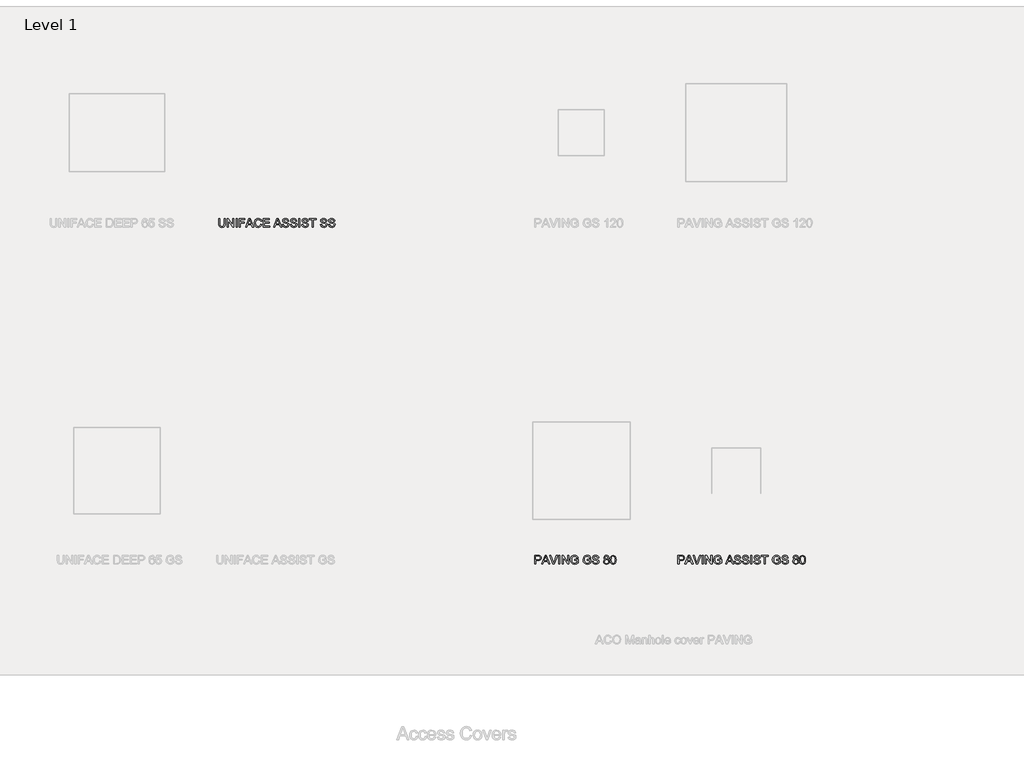
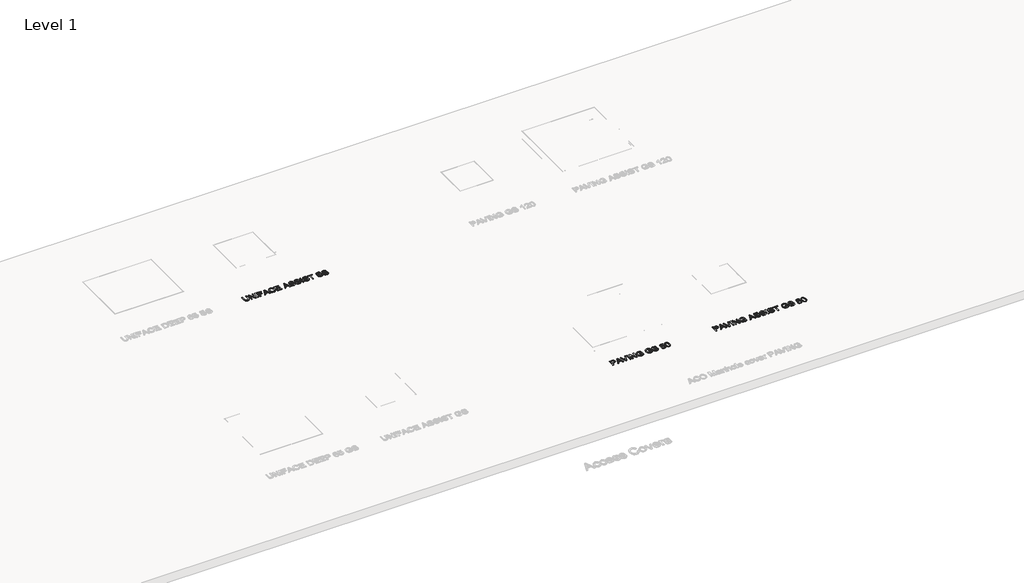
# One storey, part 7 of 9: 3 proxies.
"""IFC4 building model written with IfcOpenShell, lengths in millimetres."""

from ifc_helpers import new_model, si_unit, origin, origin_with_axes, place, context, project, spatial, polyline, outline, extrude, element, save

model = new_model("IFC4")

# Units and contexts
model_context = context("Model", 3, world=origin())
ifc_project = project(units=[si_unit("LENGTHUNIT", "METRE", prefix="MILLI")], contexts=[model_context])

# Site, building, storey
site = spatial("IfcSite", under=ifc_project)
building = spatial("IfcBuilding", under=site)
storey = spatial("IfcBuildingStorey", under=building, Name="Level 1", Elevation=0.0)

# Proxies
placement = place(None, origin())
element("IfcBuildingElementProxy", 1, Name="100mm ACO", ObjectType="100mm ACO", at=placement, inside=storey, context=model_context, shape_type="SweptSolid", body=[
    extrude(outline(polyline([(9257.0771361, -11847.3956492), (9256.2331112, -11861.7586247), (9251.7510479, -11875.3212318), (9239.9346992, -11886.9338503), (9218.1355732, -11891.5759873), (9196.6856989, -11887.4577279), (9184.7383808, -11876.8055515), (9179.8925137, -11863.1992879), (9178.8447587, -11847.3956492), (9178.8447587, -11789.1288264), (9191.8834882, -11789.1288264), (9191.8834882, -11847.7449008), (9193.1786299, -11863.5048831), (9200.0035899, -11875.2630232), (9207.0395561, -11879.1157058), (9217.0878182, -11880.3999334), (9234.6231632, -11876.3107783), (9242.2630438, -11865.3821109), (9244.0384065, -11847.7449008), (9244.0384065, -11789.1288264), (9257.0771361, -11789.1288264), (9257.0771361, -11847.3956492)])), origin_with_axes(), (0.0, 0.0, 1.0), 10.0),
    extrude(outline(polyline([(9357.6616214, -11889.7133117), (9343.691554, -11889.7133117), (9292.7299123, -11811.0152653), (9292.7299123, -11889.7133117), (9279.429244, -11889.7133117), (9279.429244, -11789.1288264), (9293.4284157, -11789.1288264), (9344.3609531, -11867.7686641), (9344.3609531, -11789.1288264), (9357.6616214, -11789.1288264), (9357.6616214, -11889.7133117)])), origin_with_axes(), (0.0, 0.0, 1.0), 10.0),
    extrude(outline(polyline([(9394.9151345, -11889.7133117), (9381.8764049, -11889.7133117), (9381.8764049, -11789.1288264), (9394.9151345, -11789.1288264), (9394.9151345, -11889.7133117)])), origin_with_axes(), (0.0, 0.0, 1.0), 10.0),
    extrude(outline(polyline([(9486.1862416, -11800.3048803), (9432.1686476, -11800.3048803), (9432.1686476, -11831.9703664), (9478.735539, -11831.9703664), (9478.735539, -11843.1464203), (9432.1686476, -11843.1464203), (9432.1686476, -11889.7133117), (9419.129918, -11889.7133117), (9419.129918, -11789.1288264), (9486.1862416, -11789.1288264), (9486.1862416, -11800.3048803)])), origin_with_axes(), (0.0, 0.0, 1.0), 10.0),
    extrude(outline(polyline([(9587.2363958, -11889.7133117), (9573.3536413, -11889.7133117), (9561.3044582, -11859.9105012), (9518.6084397, -11859.9105012), (9507.0249255, -11889.7133117), (9493.1712753, -11889.7133117), (9532.2583597, -11789.1288264), (9546.5194702, -11789.1288264), (9587.2363958, -11889.7133117)]), holes=[polyline([(9556.7641863, -11848.7344473), (9542.2556892, -11811.8592902), (9539.2724977, -11800.1302544), (9534.5867043, -11818.8152196), (9522.9740857, -11848.7344473), (9556.7641863, -11848.7344473)])]), origin_with_axes(), (0.0, 0.0, 1.0), 10.0),
    extrude(outline(polyline([(9681.7671852, -11857.6985739), (9675.8189925, -11872.6108932), (9666.6474977, -11883.1793947), (9654.7911306, -11889.4768392), (9640.7883209, -11891.5759873), (9619.760459, -11887.6978384), (9605.3392748, -11876.0633916), (9597.0008908, -11858.9718873), (9594.2214295, -11838.7225656), (9597.4847499, -11817.2108447), (9607.2747112, -11800.9306229), (9622.1943067, -11790.6822687), (9640.8465295, -11787.2661507), (9654.2381488, -11789.0888079), (9665.541534, -11794.5567796), (9674.2619121, -11803.5390964), (9679.9045096, -11815.9047889), (9666.86578, -11818.9316368), (9656.9557634, -11803.5791148), (9640.3517563, -11798.4422046), (9626.0469893, -11801.1670954), (9615.6713038, -11809.3417676), (9609.3629453, -11822.1003683), (9607.2601591, -11838.5770441), (9609.4866386, -11857.047365), (9616.1660771, -11870.0824565), (9626.4253453, -11877.8205642), (9639.3913141, -11880.3999334), (9650.0216623, -11878.7737302), (9658.4546353, -11873.8951208), (9664.6902331, -11865.7495528), (9668.7284557, -11854.3224742), (9681.7671852, -11857.6985739)])), origin_with_axes(), (0.0, 0.0, 1.0), 10.0),
    extrude(outline(polyline([(9773.0382923, -11889.7133117), (9698.5312661, -11889.7133117), (9698.5312661, -11789.1288264), (9771.1756166, -11789.1288264), (9771.1756166, -11800.3048803), (9711.5699957, -11800.3048803), (9711.5699957, -11831.9703664), (9767.4502653, -11831.9703664), (9767.4502653, -11843.1464203), (9711.5699957, -11843.1464203), (9711.5699957, -11878.5372577), (9773.0382923, -11878.5372577), (9773.0382923, -11889.7133117)])), origin_with_axes(), (0.0, 0.0, 1.0), 10.0),
    extrude(outline(polyline([(9913.2046353, -11889.7133117), (9899.3218808, -11889.7133117), (9887.2726976, -11859.9105012), (9844.5766791, -11859.9105012), (9832.9931649, -11889.7133117), (9819.1395147, -11889.7133117), (9858.2265992, -11789.1288264), (9872.4877096, -11789.1288264), (9913.2046353, -11889.7133117)]), holes=[polyline([(9882.7324257, -11848.7344473), (9868.2239286, -11811.8592902), (9865.2407372, -11800.1302544), (9860.5549437, -11818.8152196), (9848.9423252, -11848.7344473), (9882.7324257, -11848.7344473)])]), origin_with_axes(), (0.0, 0.0, 1.0), 10.0),
    extrude(outline(polyline([(9981.6579656, -11818.9316368), (9979.6352162, -11809.9857004), (9975.1386008, -11803.5791148), (9968.1681192, -11799.7264322), (9958.7237716, -11798.4422046), (9943.0074457, -11802.4440468), (9938.4671738, -11807.3590367), (9936.9537499, -11814.1003218), (9941.4503653, -11824.2140686), (9959.7424223, -11830.5442553), (9979.6934248, -11836.0595215), (9992.9213324, -11845.0382003), (9997.0468679, -11852.1614794), (9998.4220464, -11861.3657166), (9995.9008858, -11873.2730162), (9988.337404, -11882.9756646), (9976.7211475, -11889.4259066), (9962.0416626, -11891.5759873), (9943.9533357, -11889.1894341), (9931.0746798, -11882.0297746), (9923.2165169, -11871.072003), (9920.189669, -11857.2911136), (9933.2283985, -11856.1851499), (9935.8732525, -11867.1247313), (9942.1197644, -11874.6227284), (9951.0074921, -11878.9556322), (9961.5759937, -11880.3999334), (9978.8057435, -11875.6413792), (9983.7389235, -11870.035162), (9985.3833169, -11862.733619), (9983.6843529, -11855.3629532), (9978.5874612, -11850.3060799), (9955.1730461, -11842.8117208), (9940.8791933, -11838.4460747), (9931.2347535, -11832.5379004), (9925.7449536, -11824.8652774), (9923.9150203, -11815.2062855), (9926.2106225, -11804.1466488), (9933.0974292, -11795.1825222), (9943.9424216, -11789.2452436), (9958.1125811, -11787.2661507), (9972.7593237, -11789.2597957), (9984.2191446, -11795.2407308), (9991.7717123, -11804.8888086), (9994.6966951, -11817.8838818), (9981.6579656, -11818.9316368)])), origin_with_axes(), (0.0, 0.0, 1.0), 10.0),
    extrude(outline(polyline([(10074.7917483, -11818.9316368), (10072.7689989, -11809.9857004), (10068.2723835, -11803.5791148), (10061.3019019, -11799.7264322), (10051.8575543, -11798.4422046), (10036.1412284, -11802.4440468), (10031.6009565, -11807.3590367), (10030.0875326, -11814.1003218), (10034.584148, -11824.2140686), (10052.876205, -11830.5442553), (10072.8272075, -11836.0595215), (10086.0551151, -11845.0382003), (10090.1806506, -11852.1614794), (10091.5558291, -11861.3657166), (10089.0346685, -11873.2730162), (10081.4711867, -11882.9756646), (10069.8549302, -11889.4259066), (10055.1754453, -11891.5759873), (10037.0871184, -11889.1894341), (10024.2084625, -11882.0297746), (10016.3502996, -11871.072003), (10013.3234517, -11857.2911136), (10026.3621812, -11856.1851499), (10029.0070352, -11867.1247313), (10035.2535471, -11874.6227284), (10044.1412748, -11878.9556322), (10054.7097764, -11880.3999334), (10071.9395262, -11875.6413792), (10076.8727062, -11870.035162), (10078.5170996, -11862.733619), (10076.8181356, -11855.3629532), (10071.7212439, -11850.3060799), (10048.3068288, -11842.8117208), (10034.012976, -11838.4460747), (10024.3685362, -11832.5379004), (10018.8787363, -11824.8652774), (10017.048803, -11815.2062855), (10019.3444052, -11804.1466488), (10026.2312119, -11795.1825222), (10037.0762043, -11789.2452436), (10051.2463638, -11787.2661507), (10065.8931064, -11789.2597957), (10077.3529273, -11795.2407308), (10084.905495, -11804.8888086), (10087.8304778, -11817.8838818), (10074.7917483, -11818.9316368)])), origin_with_axes(), (0.0, 0.0, 1.0), 10.0),
    extrude(outline(polyline([(10125.0839909, -11889.7133117), (10112.0452613, -11889.7133117), (10112.0452613, -11789.1288264), (10125.0839909, -11789.1288264), (10125.0839909, -11889.7133117)])), origin_with_axes(), (0.0, 0.0, 1.0), 10.0),
    extrude(outline(polyline([(10207.0417197, -11818.9316368), (10205.0189703, -11809.9857004), (10200.5223549, -11803.5791148), (10193.5518734, -11799.7264322), (10184.1075257, -11798.4422046), (10168.3911999, -11802.4440468), (10163.850928, -11807.3590367), (10162.337504, -11814.1003218), (10166.8341194, -11824.2140686), (10185.1261765, -11830.5442553), (10205.077179, -11836.0595215), (10218.3050865, -11845.0382003), (10222.4306221, -11852.1614794), (10223.8058006, -11861.3657166), (10221.28464, -11873.2730162), (10213.7211582, -11882.9756646), (10202.1049016, -11889.4259066), (10187.4254167, -11891.5759873), (10169.3370899, -11889.1894341), (10156.458434, -11882.0297746), (10148.600271, -11871.072003), (10145.5734231, -11857.2911136), (10158.6121527, -11856.1851499), (10161.2570066, -11867.1247313), (10167.5035185, -11874.6227284), (10176.3912463, -11878.9556322), (10186.9597478, -11880.3999334), (10204.1894976, -11875.6413792), (10209.1226776, -11870.035162), (10210.767071, -11862.733619), (10209.0681071, -11855.3629532), (10203.9712153, -11850.3060799), (10180.5568002, -11842.8117208), (10166.2629474, -11838.4460747), (10156.6185077, -11832.5379004), (10151.1287077, -11824.8652774), (10149.2987744, -11815.2062855), (10151.5943766, -11804.1466488), (10158.4811833, -11795.1825222), (10169.3261757, -11789.2452436), (10183.4963353, -11787.2661507), (10198.1430778, -11789.2597957), (10209.6028987, -11795.2407308), (10217.1554664, -11804.8888086), (10220.0804493, -11817.8838818), (10207.0417197, -11818.9316368)])), origin_with_axes(), (0.0, 0.0, 1.0), 10.0),
    extrude(outline(polyline([(10313.214232, -11800.3048803), (10279.6860702, -11800.3048803), (10279.6860702, -11889.7133117), (10266.6473406, -11889.7133117), (10266.6473406, -11800.3048803), (10233.1191788, -11800.3048803), (10233.1191788, -11789.1288264), (10313.214232, -11789.1288264), (10313.214232, -11800.3048803)])), origin_with_axes(), (0.0, 0.0, 1.0), 10.0),
    extrude(outline(polyline([(10424.9747712, -11818.9316368), (10422.9520219, -11809.9857004), (10418.4554064, -11803.5791148), (10411.4849249, -11799.7264322), (10402.0405772, -11798.4422046), (10386.3242514, -11802.4440468), (10381.7839795, -11807.3590367), (10380.2705555, -11814.1003218), (10384.767171, -11824.2140686), (10403.059228, -11830.5442553), (10423.0102305, -11836.0595215), (10436.2381381, -11845.0382003), (10440.3636736, -11852.1614794), (10441.7388521, -11861.3657166), (10439.2176915, -11873.2730162), (10431.6542097, -11882.9756646), (10420.0379531, -11889.4259066), (10405.3584682, -11891.5759873), (10387.2701414, -11889.1894341), (10374.3914855, -11882.0297746), (10366.5333226, -11871.072003), (10363.5064746, -11857.2911136), (10376.5452042, -11856.1851499), (10379.1900581, -11867.1247313), (10385.43657, -11874.6227284), (10394.3242978, -11878.9556322), (10404.8927993, -11880.3999334), (10422.1225491, -11875.6413792), (10427.0557292, -11870.035162), (10428.7001225, -11862.733619), (10427.0011586, -11855.3629532), (10421.9042668, -11850.3060799), (10398.4898518, -11842.8117208), (10384.1959989, -11838.4460747), (10374.5515592, -11832.5379004), (10369.0617593, -11824.8652774), (10367.2318259, -11815.2062855), (10369.5274282, -11804.1466488), (10376.4142348, -11795.1825222), (10387.2592273, -11789.2452436), (10401.4293868, -11787.2661507), (10416.0761293, -11789.2597957), (10427.5359502, -11795.2407308), (10435.0885179, -11804.8888086), (10438.0135008, -11817.8838818), (10424.9747712, -11818.9316368)])), origin_with_axes(), (0.0, 0.0, 1.0), 10.0),
    extrude(outline(polyline([(10518.1085539, -11818.9316368), (10516.0858046, -11809.9857004), (10511.5891891, -11803.5791148), (10504.6187076, -11799.7264322), (10495.1743599, -11798.4422046), (10479.4580341, -11802.4440468), (10474.9177622, -11807.3590367), (10473.4043382, -11814.1003218), (10477.9009537, -11824.2140686), (10496.1930107, -11830.5442553), (10516.1440132, -11836.0595215), (10529.3719208, -11845.0382003), (10533.4974563, -11852.1614794), (10534.8726348, -11861.3657166), (10532.3514742, -11873.2730162), (10524.7879924, -11882.9756646), (10513.1717358, -11889.4259066), (10498.4922509, -11891.5759873), (10480.4039241, -11889.1894341), (10467.5252682, -11882.0297746), (10459.6671053, -11871.072003), (10456.6402573, -11857.2911136), (10469.6789869, -11856.1851499), (10472.3238408, -11867.1247313), (10478.5703527, -11874.6227284), (10487.4580805, -11878.9556322), (10498.026582, -11880.3999334), (10515.2563318, -11875.6413792), (10520.1895119, -11870.035162), (10521.8339052, -11862.733619), (10520.1349413, -11855.3629532), (10515.0380495, -11850.3060799), (10491.6236345, -11842.8117208), (10477.3297816, -11838.4460747), (10467.6853419, -11832.5379004), (10462.195542, -11824.8652774), (10460.3656086, -11815.2062855), (10462.6612109, -11804.1466488), (10469.5480175, -11795.1825222), (10480.39301, -11789.2452436), (10494.5631695, -11787.2661507), (10509.209912, -11789.2597957), (10520.6697329, -11795.2407308), (10528.2223006, -11804.8888086), (10531.1472835, -11817.8838818), (10518.1085539, -11818.9316368)])), origin_with_axes(), (0.0, 0.0, 1.0), 10.0),
])
element("IfcBuildingElementProxy", 2, Name="100mm ACO", ObjectType="100mm ACO", at=placement, inside=storey, context=model_context, shape_type="SweptSolid", body=[
    extrude(outline(polyline([(12854.8308803, -15709.1288264), (12892.6082709, -15709.1288264), (12908.0044494, -15710.0165077), (12919.9954239, -15714.6295404), (12928.3629122, -15724.7432871), (12931.2005821, -15738.1167162), (12928.9631885, -15750.6206542), (12922.2510077, -15760.366959), (12910.6056468, -15766.6425752), (12893.568713, -15768.7344473), (12867.8696099, -15768.7344473), (12867.8696099, -15809.7133117), (12854.8308803, -15809.7133117), (12854.8308803, -15709.1288264)]), holes=[polyline([(12867.8696099, -15757.5583934), (12894.0925906, -15757.5583934), (12912.144537, -15752.7925631), (12916.6575237, -15746.8352752), (12918.1618525, -15738.4950722), (12915.0331395, -15727.4499877), (12907.3496025, -15721.4836047), (12893.8015475, -15720.3048803), (12867.8696099, -15720.3048803), (12867.8696099, -15757.5583934)])]), origin_with_axes(), (0.0, 0.0, 1.0), 10.0),
    extrude(outline(polyline([(13030.3880607, -15809.7133117), (13016.5053062, -15809.7133117), (13004.4561231, -15779.9105012), (12961.7601046, -15779.9105012), (12950.1765903, -15809.7133117), (12936.3229402, -15809.7133117), (12975.4100246, -15709.1288264), (12989.6711351, -15709.1288264), (13030.3880607, -15809.7133117)]), holes=[polyline([(12999.9158512, -15768.7344473), (12985.4073541, -15731.8592902), (12982.4241626, -15720.1302544), (12977.7383692, -15738.8152196), (12966.1257506, -15768.7344473), (12999.9158512, -15768.7344473)])]), origin_with_axes(), (0.0, 0.0, 1.0), 10.0),
    extrude(outline(polyline([(13121.1934988, -15709.1288264), (13083.4743168, -15809.7133117), (13067.6415738, -15809.7133117), (13029.9223918, -15709.1288264), (13043.7469377, -15709.1288264), (13070.2609614, -15782.2388458), (13075.5579453, -15798.653675), (13080.8840335, -15782.2388458), (13107.368953, -15709.1288264), (13121.1934988, -15709.1288264)])), origin_with_axes(), (0.0, 0.0, 1.0), 10.0),
    extrude(outline(polyline([(13149.1336336, -15809.7133117), (13136.0949041, -15809.7133117), (13136.0949041, -15709.1288264), (13149.1336336, -15709.1288264), (13149.1336336, -15809.7133117)])), origin_with_axes(), (0.0, 0.0, 1.0), 10.0),
    extrude(outline(polyline([(13251.5807946, -15809.7133117), (13237.6107272, -15809.7133117), (13186.6490855, -15731.0152653), (13186.6490855, -15809.7133117), (13173.3484171, -15809.7133117), (13173.3484171, -15709.1288264), (13187.3475889, -15709.1288264), (13238.2801263, -15787.7686641), (13238.2801263, -15709.1288264), (13251.5807946, -15709.1288264), (13251.5807946, -15809.7133117)])), origin_with_axes(), (0.0, 0.0, 1.0), 10.0),
    extrude(outline(polyline([(13361.4786582, -15796.2962261), (13341.9569442, -15807.756047), (13320.703524, -15811.5759873), (13300.2031777, -15808.039814), (13284.1048578, -15797.4312941), (13273.6818778, -15780.9582563), (13270.2075512, -15759.8285293), (13275.8683389, -15733.168984), (13282.8715628, -15722.2184885), (13292.559659, -15714.0474542), (13304.8198484, -15708.9614766), (13319.5393517, -15707.2661507), (13334.4625851, -15709.1506546), (13346.1115841, -15714.8041662), (13354.4936245, -15724.2194096), (13359.6159826, -15737.3891085), (13346.577253, -15740.7943125), (13342.7973311, -15731.0334555), (13336.8709666, -15724.0447837), (13328.7981594, -15719.8428494), (13318.5789095, -15718.4422046), (13303.2300256, -15721.2653224), (13292.1667509, -15729.7346758), (13285.4763983, -15742.7734054), (13283.2462807, -15759.3046518), (13287.6555833, -15782.0496678), (13300.7379693, -15795.7577964), (13319.5975603, -15800.3999334), (13334.5498981, -15797.5768156), (13348.4399286, -15789.1074622), (13348.4399286, -15768.7344473), (13318.6371182, -15768.7344473), (13318.6371182, -15757.5583934), (13361.4786582, -15757.5583934), (13361.4786582, -15796.2962261)])), origin_with_axes(), (0.0, 0.0, 1.0), 10.0),
    extrude(outline(polyline([(13508.6300349, -15796.2962261), (13489.1083209, -15807.756047), (13467.8549006, -15811.5759873), (13447.3545543, -15808.039814), (13431.2562345, -15797.4312941), (13420.8332545, -15780.9582563), (13417.3589278, -15759.8285293), (13423.0197156, -15733.168984), (13430.0229395, -15722.2184885), (13439.7110357, -15714.0474542), (13451.971225, -15708.9614766), (13466.6907284, -15707.2661507), (13481.6139618, -15709.1506546), (13493.2629607, -15714.8041662), (13501.6450012, -15724.2194096), (13506.7673592, -15737.3891085), (13493.7286296, -15740.7943125), (13489.9487078, -15731.0334555), (13484.0223432, -15724.0447837), (13475.949536, -15719.8428494), (13465.7302862, -15718.4422046), (13450.3814023, -15721.2653224), (13439.3181275, -15729.7346758), (13432.6277749, -15742.7734054), (13430.3976574, -15759.3046518), (13434.8069599, -15782.0496678), (13447.889346, -15795.7577964), (13466.748937, -15800.3999334), (13481.7012747, -15797.5768156), (13495.5913053, -15789.1074622), (13495.5913053, -15768.7344473), (13465.7884948, -15768.7344473), (13465.7884948, -15757.5583934), (13508.6300349, -15757.5583934), (13508.6300349, -15796.2962261)])), origin_with_axes(), (0.0, 0.0, 1.0), 10.0),
    extrude(outline(polyline([(13586.8624123, -15738.9316368), (13584.839663, -15729.9857004), (13580.3430476, -15723.5791148), (13573.372566, -15719.7264322), (13563.9282184, -15718.4422046), (13548.2118925, -15722.4440468), (13543.6716206, -15727.3590367), (13542.1581967, -15734.1003218), (13546.6548121, -15744.2140686), (13564.9468691, -15750.5442553), (13584.8978716, -15756.0595215), (13598.1257792, -15765.0382003), (13602.2513147, -15772.1614794), (13603.6264932, -15781.3657166), (13601.1053326, -15793.2730162), (13593.5418508, -15802.9756646), (13581.9255943, -15809.4259066), (13567.2461094, -15811.5759873), (13549.1577825, -15809.1894341), (13536.2791266, -15802.0297746), (13528.4209637, -15791.072003), (13525.3941158, -15777.2911136), (13538.4328453, -15776.1851499), (13541.0776993, -15787.1247313), (13547.3242112, -15794.6227284), (13556.2119389, -15798.9556322), (13566.7804405, -15800.3999334), (13584.0101903, -15795.6413792), (13588.9433703, -15790.035162), (13590.5877637, -15782.733619), (13588.8887997, -15775.3629532), (13583.791908, -15770.3060799), (13560.3774929, -15762.8117208), (13546.0836401, -15758.4460747), (13536.4392003, -15752.5379004), (13530.9494004, -15744.8652774), (13529.1194671, -15735.2062855), (13531.4150693, -15724.1466488), (13538.301876, -15715.1825222), (13549.1468684, -15709.2452436), (13563.3170279, -15707.2661507), (13577.9637705, -15709.2597957), (13589.4235914, -15715.2407308), (13596.9761591, -15724.8888086), (13599.9011419, -15737.8838818), (13586.8624123, -15738.9316368)])), origin_with_axes(), (0.0, 0.0, 1.0), 10.0),
    extrude(outline(polyline([(13703.9781441, -15754.487889), (13718.1228373, -15764.2160036), (13722.8377351, -15780.7254218), (13720.4912003, -15792.8037092), (13713.4515961, -15802.728278), (13702.7302969, -15809.36406), (13689.3386776, -15811.5759873), (13675.8488313, -15809.3495078), (13665.1238941, -15802.6700694), (13658.1170322, -15792.6290834), (13655.7814115, -15780.3179615), (13660.9910825, -15763.3938069), (13667.102987, -15757.5838596), (13675.0193585, -15754.6188583), (13663.3849118, -15747.1172232), (13659.5067629, -15734.4786778), (13661.5513404, -15724.543195), (13667.6850732, -15716.390351), (13677.1294208, -15710.9442075), (13689.1058432, -15709.1288264), (13701.2605294, -15711.0024161), (13710.8322084, -15716.6231854), (13717.0423399, -15724.8997228), (13719.1123838, -15734.7406166), (13715.3288239, -15746.8771127), (13703.9781441, -15754.487889)]), holes=[polyline([(13689.3677819, -15802.2626091), (13697.3787425, -15800.7855655), (13703.9490398, -15796.3544347), (13708.3365141, -15789.558579), (13709.7990055, -15780.9873606), (13708.2964957, -15772.3797617), (13703.7889661, -15765.4747649), (13697.1131657, -15760.934493), (13689.1058432, -15759.421069), (13680.9311709, -15760.9817875), (13674.4518246, -15765.6639429), (13668.8201411, -15780.6963175), (13670.2717184, -15789.1220144), (13674.6264504, -15796.0633916), (13681.2149379, -15800.7128047), (13689.3677819, -15802.2626091)]), polyline([(13689.3386776, -15750.1076907), (13701.2568914, -15745.6838361), (13706.0736542, -15734.5950951), (13701.1841306, -15723.1134459), (13689.1931561, -15718.4422046), (13677.2603902, -15723.0406851), (13672.5454924, -15733.8965917), (13677.3913596, -15745.7420447), (13689.3386776, -15750.1076907)])]), origin_with_axes(), (0.0, 0.0, 1.0), 10.0),
    extrude(outline(polyline([(13767.5128465, -15709.1288264), (13782.1941504, -15712.3339382), (13792.680796, -15721.9492736), (13798.9727834, -15737.9748327), (13801.0701126, -15760.4106155), (13798.9018417, -15783.0137479), (13792.3970291, -15798.9592702), (13781.8394417, -15808.421808), (13767.5128465, -15811.5759873), (13752.8570088, -15808.3781516), (13742.3885534, -15798.7846444), (13736.1074801, -15782.7954656), (13734.013789, -15760.4106155), (13736.1820599, -15737.811121), (13742.6868725, -15721.8183042), (13753.2299078, -15712.3011958), (13767.5128465, -15709.1288264)]), holes=[polyline([(13767.5419508, -15802.2626091), (13776.4333166, -15799.8142092), (13782.8508163, -15792.4690097), (13786.7362413, -15779.5576115), (13788.031383, -15760.4106155), (13785.761247, -15736.0503104), (13778.9071827, -15722.8078507), (13767.3964293, -15718.4422046), (13758.5232536, -15720.9342609), (13752.1603245, -15728.4104298), (13748.3294701, -15741.3945888), (13747.0525186, -15760.4106155), (13749.366311, -15784.6108468), (13756.2203753, -15797.896963), (13767.5419508, -15802.2626091)])]), origin_with_axes(), (0.0, 0.0, 1.0), 10.0),
])
element("IfcBuildingElementProxy", 3, Name="100mm ACO", ObjectType="100mm ACO", at=placement, inside=storey, context=model_context, shape_type="SweptSolid", body=[
    extrude(outline(polyline([(14520.6944822, -15709.1288264), (14558.4718728, -15709.1288264), (14573.8680512, -15710.0165077), (14585.8590258, -15714.6295404), (14594.226514, -15724.7432871), (14597.064184, -15738.1167162), (14594.8267904, -15750.6206542), (14588.1146096, -15760.366959), (14576.4692487, -15766.6425752), (14559.4323149, -15768.7344473), (14533.7332117, -15768.7344473), (14533.7332117, -15809.7133117), (14520.6944822, -15809.7133117), (14520.6944822, -15709.1288264)]), holes=[polyline([(14533.7332117, -15757.5583934), (14559.9561924, -15757.5583934), (14578.0081389, -15752.7925631), (14582.5211255, -15746.8352752), (14584.0254544, -15738.4950722), (14580.8967414, -15727.4499877), (14573.2132043, -15721.4836047), (14559.6651494, -15720.3048803), (14533.7332117, -15720.3048803), (14533.7332117, -15757.5583934)])]), origin_with_axes(), (0.0, 0.0, 1.0), 10.0),
    extrude(outline(polyline([(14696.2516626, -15809.7133117), (14682.3689081, -15809.7133117), (14670.3197249, -15779.9105012), (14627.6237064, -15779.9105012), (14616.0401922, -15809.7133117), (14602.186542, -15809.7133117), (14641.2736265, -15709.1288264), (14655.5347369, -15709.1288264), (14696.2516626, -15809.7133117)]), holes=[polyline([(14665.779453, -15768.7344473), (14651.2709559, -15731.8592902), (14648.2877645, -15720.1302544), (14643.601971, -15738.8152196), (14631.9893525, -15768.7344473), (14665.779453, -15768.7344473)])]), origin_with_axes(), (0.0, 0.0, 1.0), 10.0),
    extrude(outline(polyline([(14787.0571007, -15709.1288264), (14749.3379187, -15809.7133117), (14733.5051756, -15809.7133117), (14695.7859936, -15709.1288264), (14709.6105395, -15709.1288264), (14736.1245633, -15782.2388458), (14741.4215472, -15798.653675), (14746.7476354, -15782.2388458), (14773.2325548, -15709.1288264), (14787.0571007, -15709.1288264)])), origin_with_axes(), (0.0, 0.0, 1.0), 10.0),
    extrude(outline(polyline([(14814.9972355, -15809.7133117), (14801.9585059, -15809.7133117), (14801.9585059, -15709.1288264), (14814.9972355, -15709.1288264), (14814.9972355, -15809.7133117)])), origin_with_axes(), (0.0, 0.0, 1.0), 10.0),
    extrude(outline(polyline([(14917.4443965, -15809.7133117), (14903.4743291, -15809.7133117), (14852.5126874, -15731.0152653), (14852.5126874, -15809.7133117), (14839.212019, -15809.7133117), (14839.212019, -15709.1288264), (14853.2111907, -15709.1288264), (14904.1437281, -15787.7686641), (14904.1437281, -15709.1288264), (14917.4443965, -15709.1288264), (14917.4443965, -15809.7133117)])), origin_with_axes(), (0.0, 0.0, 1.0), 10.0),
    extrude(outline(polyline([(15027.3422601, -15796.2962261), (15007.8205461, -15807.756047), (14986.5671258, -15811.5759873), (14966.0667795, -15808.039814), (14949.9684597, -15797.4312941), (14939.5454797, -15780.9582563), (14936.071153, -15759.8285293), (14941.7319408, -15733.168984), (14948.7351646, -15722.2184885), (14958.4232609, -15714.0474542), (14970.6834502, -15708.9614766), (14985.4029535, -15707.2661507), (15000.326187, -15709.1506546), (15011.9751859, -15714.8041662), (15020.3572264, -15724.2194096), (15025.4795844, -15737.3891085), (15012.4408548, -15740.7943125), (15008.660933, -15731.0334555), (15002.7345684, -15724.0447837), (14994.6617612, -15719.8428494), (14984.4425114, -15718.4422046), (14969.0936275, -15721.2653224), (14958.0303527, -15729.7346758), (14951.3400001, -15742.7734054), (14949.1098826, -15759.3046518), (14953.5191851, -15782.0496678), (14966.6015712, -15795.7577964), (14985.4611622, -15800.3999334), (15000.4134999, -15797.5768156), (15014.3035305, -15789.1074622), (15014.3035305, -15768.7344473), (14984.50072, -15768.7344473), (14984.50072, -15757.5583934), (15027.3422601, -15757.5583934), (15027.3422601, -15796.2962261)])), origin_with_axes(), (0.0, 0.0, 1.0), 10.0),
    extrude(outline(polyline([(15169.3712787, -15809.7133117), (15155.4885242, -15809.7133117), (15143.4393411, -15779.9105012), (15100.7433226, -15779.9105012), (15089.1598083, -15809.7133117), (15075.3061582, -15809.7133117), (15114.3932426, -15709.1288264), (15128.6543531, -15709.1288264), (15169.3712787, -15809.7133117)]), holes=[polyline([(15138.8990692, -15768.7344473), (15124.3905721, -15731.8592902), (15121.4073806, -15720.1302544), (15116.7215872, -15738.8152196), (15105.1089686, -15768.7344473), (15138.8990692, -15768.7344473)])]), origin_with_axes(), (0.0, 0.0, 1.0), 10.0),
    extrude(outline(polyline([(15237.824609, -15738.9316368), (15235.8018596, -15729.9857004), (15231.3052442, -15723.5791148), (15224.3347626, -15719.7264322), (15214.890415, -15718.4422046), (15199.1740892, -15722.4440468), (15194.6338173, -15727.3590367), (15193.1203933, -15734.1003218), (15197.6170087, -15744.2140686), (15215.9090657, -15750.5442553), (15235.8600683, -15756.0595215), (15249.0879758, -15765.0382003), (15253.2135114, -15772.1614794), (15254.5886899, -15781.3657166), (15252.0675293, -15793.2730162), (15244.5040475, -15802.9756646), (15232.8877909, -15809.4259066), (15218.208306, -15811.5759873), (15200.1199791, -15809.1894341), (15187.2413233, -15802.0297746), (15179.3831603, -15791.072003), (15176.3563124, -15777.2911136), (15189.395042, -15776.1851499), (15192.0398959, -15787.1247313), (15198.2864078, -15794.6227284), (15207.1741356, -15798.9556322), (15217.7426371, -15800.3999334), (15234.9723869, -15795.6413792), (15239.9055669, -15790.035162), (15241.5499603, -15782.733619), (15239.8509964, -15775.3629532), (15234.7541046, -15770.3060799), (15211.3396895, -15762.8117208), (15197.0458367, -15758.4460747), (15187.4013969, -15752.5379004), (15181.911597, -15744.8652774), (15180.0816637, -15735.2062855), (15182.3772659, -15724.1466488), (15189.2640726, -15715.1825222), (15200.109065, -15709.2452436), (15214.2792245, -15707.2661507), (15228.9259671, -15709.2597957), (15240.385788, -15715.2407308), (15247.9383557, -15724.8888086), (15250.8633386, -15737.8838818), (15237.824609, -15738.9316368)])), origin_with_axes(), (0.0, 0.0, 1.0), 10.0),
    extrude(outline(polyline([(15330.9583917, -15738.9316368), (15328.9356423, -15729.9857004), (15324.4390269, -15723.5791148), (15317.4685453, -15719.7264322), (15308.0241977, -15718.4422046), (15292.3078719, -15722.4440468), (15287.7676, -15727.3590367), (15286.254176, -15734.1003218), (15290.7507914, -15744.2140686), (15309.0428484, -15750.5442553), (15328.993851, -15756.0595215), (15342.2217585, -15765.0382003), (15346.3472941, -15772.1614794), (15347.7224726, -15781.3657166), (15345.201312, -15793.2730162), (15337.6378302, -15802.9756646), (15326.0215736, -15809.4259066), (15311.3420887, -15811.5759873), (15293.2537618, -15809.1894341), (15280.375106, -15802.0297746), (15272.516943, -15791.072003), (15269.4900951, -15777.2911136), (15282.5288247, -15776.1851499), (15285.1736786, -15787.1247313), (15291.4201905, -15794.6227284), (15300.3079183, -15798.9556322), (15310.8764198, -15800.3999334), (15328.1061696, -15795.6413792), (15333.0393496, -15790.035162), (15334.683743, -15782.733619), (15332.9847791, -15775.3629532), (15327.8878873, -15770.3060799), (15304.4734722, -15762.8117208), (15290.1796194, -15758.4460747), (15280.5351796, -15752.5379004), (15275.0453797, -15744.8652774), (15273.2154464, -15735.2062855), (15275.5110486, -15724.1466488), (15282.3978553, -15715.1825222), (15293.2428477, -15709.2452436), (15307.4130072, -15707.2661507), (15322.0597498, -15709.2597957), (15333.5195707, -15715.2407308), (15341.0721384, -15724.8888086), (15343.9971213, -15737.8838818), (15330.9583917, -15738.9316368)])), origin_with_axes(), (0.0, 0.0, 1.0), 10.0),
    extrude(outline(polyline([(15381.2506343, -15809.7133117), (15368.2119048, -15809.7133117), (15368.2119048, -15709.1288264), (15381.2506343, -15709.1288264), (15381.2506343, -15809.7133117)])), origin_with_axes(), (0.0, 0.0, 1.0), 10.0),
    extrude(outline(polyline([(15463.2083631, -15738.9316368), (15461.1856138, -15729.9857004), (15456.6889983, -15723.5791148), (15449.7185168, -15719.7264322), (15440.2741691, -15718.4422046), (15424.5578433, -15722.4440468), (15420.0175714, -15727.3590367), (15418.5041474, -15734.1003218), (15423.0007629, -15744.2140686), (15441.2928199, -15750.5442553), (15461.2438224, -15756.0595215), (15474.47173, -15765.0382003), (15478.5972655, -15772.1614794), (15479.972444, -15781.3657166), (15477.4512834, -15793.2730162), (15469.8878016, -15802.9756646), (15458.271545, -15809.4259066), (15443.5920601, -15811.5759873), (15425.5037333, -15809.1894341), (15412.6250774, -15802.0297746), (15404.7669145, -15791.072003), (15401.7400665, -15777.2911136), (15414.7787961, -15776.1851499), (15417.42365, -15787.1247313), (15423.6701619, -15794.6227284), (15432.5578897, -15798.9556322), (15443.1263912, -15800.3999334), (15460.356141, -15795.6413792), (15465.2893211, -15790.035162), (15466.9337144, -15782.733619), (15465.2347505, -15775.3629532), (15460.1378587, -15770.3060799), (15436.7234437, -15762.8117208), (15422.4295908, -15758.4460747), (15412.7851511, -15752.5379004), (15407.2953512, -15744.8652774), (15405.4654178, -15735.2062855), (15407.7610201, -15724.1466488), (15414.6478267, -15715.1825222), (15425.4928192, -15709.2452436), (15439.6629787, -15707.2661507), (15454.3097212, -15709.2597957), (15465.7695421, -15715.2407308), (15473.3221098, -15724.8888086), (15476.2470927, -15737.8838818), (15463.2083631, -15738.9316368)])), origin_with_axes(), (0.0, 0.0, 1.0), 10.0),
    extrude(outline(polyline([(15569.3808754, -15720.3048803), (15535.8527136, -15720.3048803), (15535.8527136, -15809.7133117), (15522.8139841, -15809.7133117), (15522.8139841, -15720.3048803), (15489.2858223, -15720.3048803), (15489.2858223, -15709.1288264), (15569.3808754, -15709.1288264), (15569.3808754, -15720.3048803)])), origin_with_axes(), (0.0, 0.0, 1.0), 10.0),
    extrude(outline(polyline([(15710.9442251, -15796.2962261), (15691.4225111, -15807.756047), (15670.1690909, -15811.5759873), (15649.6687446, -15808.039814), (15633.5704247, -15797.4312941), (15623.1474447, -15780.9582563), (15619.6731181, -15759.8285293), (15625.3339058, -15733.168984), (15632.3371297, -15722.2184885), (15642.0252259, -15714.0474542), (15654.2854153, -15708.9614766), (15669.0049186, -15707.2661507), (15683.9281521, -15709.1506546), (15695.577151, -15714.8041662), (15703.9591914, -15724.2194096), (15709.0815495, -15737.3891085), (15696.0428199, -15740.7943125), (15692.262898, -15731.0334555), (15686.3365335, -15724.0447837), (15678.2637263, -15719.8428494), (15668.0444765, -15718.4422046), (15652.6955925, -15721.2653224), (15641.6323178, -15729.7346758), (15634.9419652, -15742.7734054), (15632.7118476, -15759.3046518), (15637.1211502, -15782.0496678), (15650.2035362, -15795.7577964), (15669.0631272, -15800.3999334), (15684.015465, -15797.5768156), (15697.9054955, -15789.1074622), (15697.9054955, -15768.7344473), (15668.1026851, -15768.7344473), (15668.1026851, -15757.5583934), (15710.9442251, -15757.5583934), (15710.9442251, -15796.2962261)])), origin_with_axes(), (0.0, 0.0, 1.0), 10.0),
    extrude(outline(polyline([(15789.1766026, -15738.9316368), (15787.1538532, -15729.9857004), (15782.6572378, -15723.5791148), (15775.6867562, -15719.7264322), (15766.2424086, -15718.4422046), (15750.5260828, -15722.4440468), (15745.9858109, -15727.3590367), (15744.4723869, -15734.1003218), (15748.9690023, -15744.2140686), (15767.2610593, -15750.5442553), (15787.2120619, -15756.0595215), (15800.4399694, -15765.0382003), (15804.565505, -15772.1614794), (15805.9406835, -15781.3657166), (15803.4195229, -15793.2730162), (15795.8560411, -15802.9756646), (15784.2397845, -15809.4259066), (15769.5602996, -15811.5759873), (15751.4719727, -15809.1894341), (15738.5933169, -15802.0297746), (15730.7351539, -15791.072003), (15727.708306, -15777.2911136), (15740.7470356, -15776.1851499), (15743.3918895, -15787.1247313), (15749.6384014, -15794.6227284), (15758.5261292, -15798.9556322), (15769.0946307, -15800.3999334), (15786.3243805, -15795.6413792), (15791.2575605, -15790.035162), (15792.9019539, -15782.733619), (15791.20299, -15775.3629532), (15786.1060982, -15770.3060799), (15762.6916831, -15762.8117208), (15748.3978303, -15758.4460747), (15738.7533905, -15752.5379004), (15733.2635906, -15744.8652774), (15731.4336573, -15735.2062855), (15733.7292595, -15724.1466488), (15740.6160662, -15715.1825222), (15751.4610586, -15709.2452436), (15765.6312181, -15707.2661507), (15780.2779607, -15709.2597957), (15791.7377816, -15715.2407308), (15799.2903493, -15724.8888086), (15802.2153322, -15737.8838818), (15789.1766026, -15738.9316368)])), origin_with_axes(), (0.0, 0.0, 1.0), 10.0),
    extrude(outline(polyline([(15906.2923343, -15754.487889), (15920.4370276, -15764.2160036), (15925.1519253, -15780.7254218), (15922.8053906, -15792.8037092), (15915.7657863, -15802.728278), (15905.0444872, -15809.36406), (15891.6528679, -15811.5759873), (15878.1630215, -15809.3495078), (15867.4380844, -15802.6700694), (15860.4312224, -15792.6290834), (15858.0956018, -15780.3179615), (15863.3052728, -15763.3938069), (15869.4171772, -15757.5838596), (15877.3335488, -15754.6188583), (15865.699102, -15747.1172232), (15861.8209531, -15734.4786778), (15863.8655307, -15724.543195), (15869.9992634, -15716.390351), (15879.443611, -15710.9442075), (15891.4200334, -15709.1288264), (15903.5747197, -15711.0024161), (15913.1463987, -15716.6231854), (15919.3565302, -15724.8997228), (15921.426574, -15734.7406166), (15917.6430141, -15746.8771127), (15906.2923343, -15754.487889)]), holes=[polyline([(15891.6528679, -15750.1076907), (15903.5710816, -15745.6838361), (15908.3878444, -15734.5950951), (15903.4983209, -15723.1134459), (15891.5073463, -15718.4422046), (15879.5745804, -15723.0406851), (15874.8596827, -15733.8965917), (15879.7055498, -15745.7420447), (15891.6528679, -15750.1076907)]), polyline([(15891.6819722, -15802.2626091), (15899.6929327, -15800.7855655), (15906.26323, -15796.3544347), (15910.6507043, -15789.558579), (15912.1131958, -15780.9873606), (15910.6106859, -15772.3797617), (15906.1031563, -15765.4747649), (15899.4273559, -15760.934493), (15891.4200334, -15759.421069), (15883.2453612, -15760.9817875), (15876.7660148, -15765.6639429), (15871.1343314, -15780.6963175), (15872.5859087, -15789.1220144), (15876.9406406, -15796.0633916), (15883.5291281, -15800.7128047), (15891.6819722, -15802.2626091)])]), origin_with_axes(), (0.0, 0.0, 1.0), 10.0),
    extrude(outline(polyline([(15969.8270367, -15709.1288264), (15984.5083406, -15712.3339382), (15994.9949863, -15721.9492736), (16001.2869737, -15737.9748327), (16003.3843028, -15760.4106155), (16001.2160319, -15783.0137479), (15994.7112193, -15798.9592702), (15984.1536319, -15808.421808), (15969.8270367, -15811.5759873), (15955.1711991, -15808.3781516), (15944.7027436, -15798.7846444), (15938.4216703, -15782.7954656), (15936.3279793, -15760.4106155), (15938.4962501, -15737.811121), (15945.0010628, -15721.8183042), (15955.544098, -15712.3011958), (15969.8270367, -15709.1288264)]), holes=[polyline([(15969.856141, -15802.2626091), (15978.7475068, -15799.8142092), (15985.1650066, -15792.4690097), (15989.0504316, -15779.5576115), (15990.3455732, -15760.4106155), (15988.0754373, -15736.0503104), (15981.2213729, -15722.8078507), (15969.7106195, -15718.4422046), (15960.8374439, -15720.9342609), (15954.4745147, -15728.4104298), (15950.6436603, -15741.3945888), (15949.3667088, -15760.4106155), (15951.6805012, -15784.6108468), (15958.5345656, -15797.896963), (15969.856141, -15802.2626091)])]), origin_with_axes(), (0.0, 0.0, 1.0), 10.0),
])

save(model, "model.ifc")
